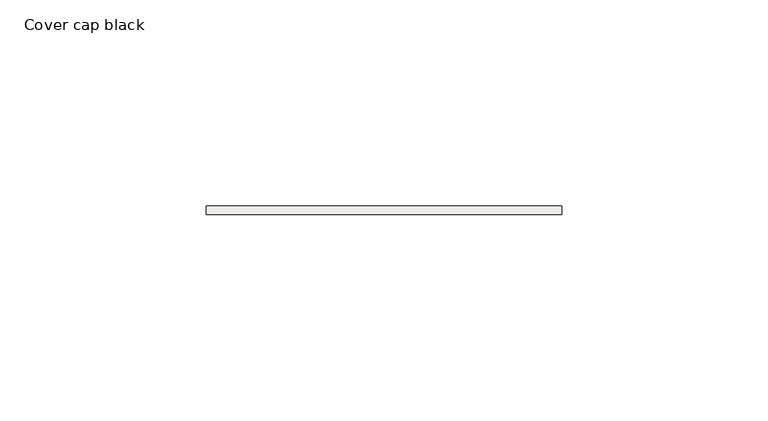
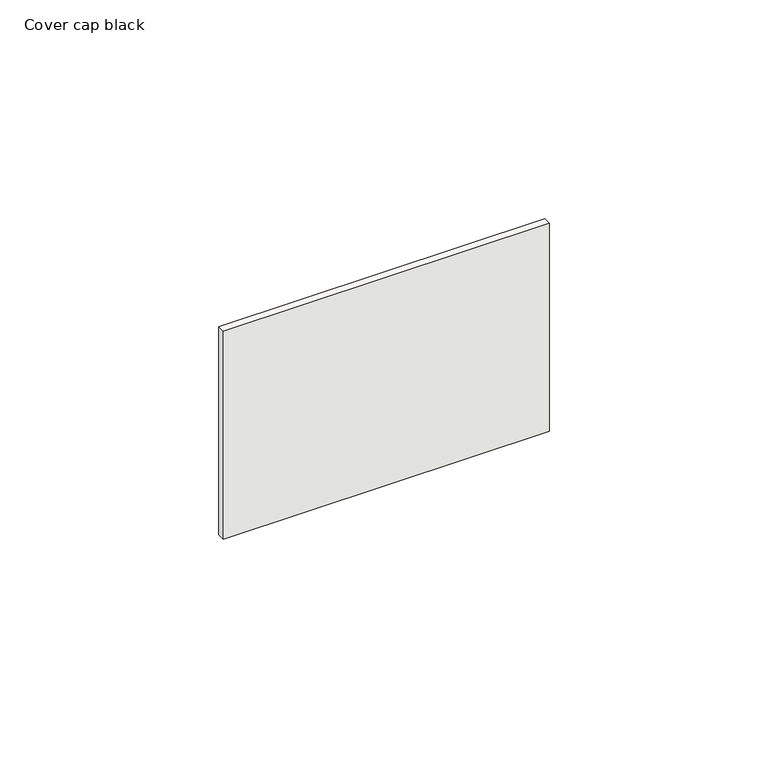
"""IFC4 building model written with IfcOpenShell, lengths in millimetres: covering geometry, Cover cap black."""

from ifc_helpers import new_model, si_unit, frame, origin, place, context, project, spatial, polyline, outline, extrude, source, transform, mapped, element, save


def cover_cap_black_23a2b58c(model_context):
    return source(origin(), model_context, "Body", "SweptSolid", [
        extrude(outline(polyline([(43.0, 0.0), (-43.0, 0.0), (-43.0, 2.0), (43.0, 2.0), (43.0, 0.0)])), frame((0.0, 0.0, 16.5), z_axis=(0.0, 0.0, 1.0), x_axis=(1.0, 0.0, 0.0)), (0.0, 0.0, 1.0), 58.0),
    ])


if __name__ == "__main__":
    model = new_model("IFC4")
    model_context = context("Model", 3, world=origin())
    ifc_project = project(units=[si_unit("LENGTHUNIT", "METRE", prefix="MILLI")], contexts=[model_context])
    site = spatial("IfcSite", under=ifc_project)
    building = spatial("IfcBuilding", under=site)
    placement = place(None, origin())
    cover_cap_black_shape = cover_cap_black_23a2b58c(model_context)
    element("IfcCovering", 1, ObjectType="Cover cap black", at=placement, inside=building, context=model_context, shape_type="MappedRepresentation", body=[
        mapped(cover_cap_black_shape, transform((0.0, 0.0, 0.0), x_axis=(1.0, 0.0, 0.0), y_axis=(0.0, 1.0, 0.0), z_axis=(0.0, 0.0, 1.0))),
    ])
    save(model, "model.ifc")
